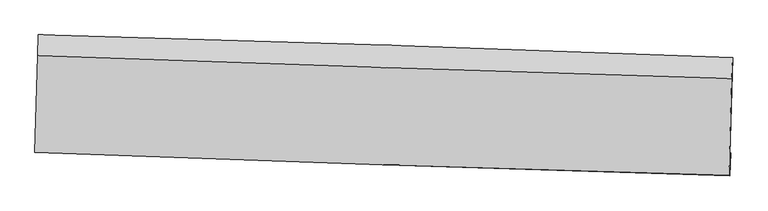
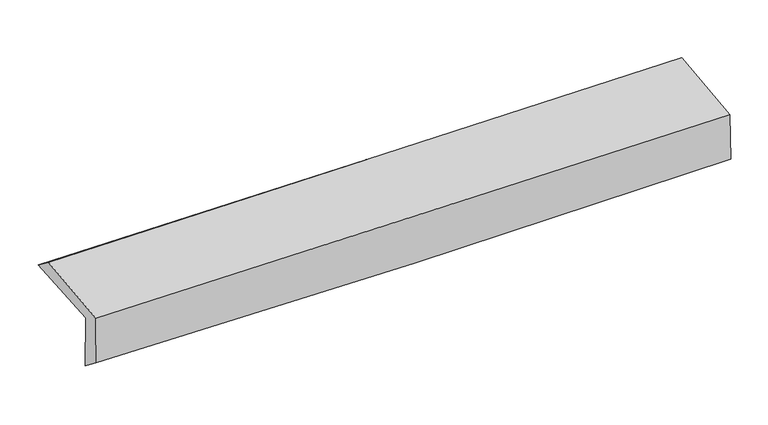
"""IFC4 building model written with IfcOpenShell, lengths in millimetres: proxy geometry."""

from ifc_helpers import new_model, si_unit, frame, origin, place, context, project, spatial, source, transform, mapped, element, save
from ifc_brep_helpers import plane_surface, spline_curve, spline_surface, advanced_brep


def generic_models_376309a4(model_context):
    return source(origin(), model_context, "Body", "AdvancedBrep", [
        advanced_brep(
        [(-2395.254071, -1726.2693567, 2001.5990284), (-2376.2636765, -1060.5587431, 2019.8832735), (2381.6587239, -1216.8040883, 2093.3228885), (2362.6565654, -1883.7896418, 2079.116126), (-2388.5341317, -1708.9656272, 1602.288682), (2369.1734941, -1871.6271679, 1683.3251907), (-2394.4978472, -1853.6377136, 1716.2494255), (2362.7783498, -2027.9686844, 1804.5808911), (-2400.7000122, -1869.3770114, 2085.2225161), (2357.196043, -2025.6650601, 2167.1439276), (-2382.1700132, -1204.9379986, 2130.7041965), (2375.6153373, -1359.5366007, 2217.1764016)],
        [
            (0, 1),
            (1, 2, spline_curve(3, [(-2376.2636765, -1060.5587431, 2019.8832735), (-1579.712406788, -1080.543623079, 2028.614711783), (-783.277990397, -1103.624160688, 2039.133587778), (802.694195944, -1155.757529518, 2063.643245759), (1592.233912888, -1184.758773887, 2077.604241557), (2381.6587239, -1216.8040883, 2093.3228885)], [4, 2, 4], [0.0, 7.843067375006043, 15.620510316079066])),
            (2, 3),
            (3, 0, spline_curve(3, [(2362.6565654, -1883.7896418, 2079.116126), (1573.078158704, -1857.74307172, 2061.179836346), (783.462293152, -1831.64844655, 2045.768419564), (-802.507284044, -1779.142499391, 2019.886598682), (-1598.861630984, -1752.730362769, 2009.458982683), (-2395.254071, -1726.2693567, 2001.5990284)], [4, 2, 4], [0.0, 7.777442941073024, 15.620510316079066])),
            (4, 0),
            (3, 5),
            (5, 4, spline_curve(3, [(2369.1734941, -1871.6271679, 1683.3251907), (1579.754663999, -1842.863670839, 1660.172506146), (790.235697807, -1814.980029606, 1641.851109431), (-795.665146942, -1760.744605105, 1614.757065057), (-1592.048722867, -1734.407733076, 1606.066292129), (-2388.5341317, -1708.9656272, 1602.288682)], [4, 2, 4], [0.0, 7.777593913625439, 15.62081353505866])),
            (6, 4),
            (5, 7),
            (7, 6, spline_curve(3, [(2362.7783498, -2027.9686844, 1804.5808911), (1573.166834999, -2005.770909771, 1781.398238138), (783.586772698, -1980.219622602, 1762.458978309), (-802.172492634, -1922.166130354, 1732.943244447), (-1598.351162628, -1889.607093777, 1722.43868257), (-2394.4978472, -1853.6377136, 1716.2494255)], [4, 2, 4], [0.0, 7.7777643201914985, 15.62115578604568])),
            (8, 6),
            (7, 9),
            (9, 8, spline_curve(3, [(2357.196043, -2025.6650601, 2167.1439276), (1567.375355307, -2003.96030748, 2156.513417557), (777.639045244, -1980.147536839, 2144.406288496), (-808.327736391, -1928.087244776, 2117.124175082), (-1604.556778288, -1899.803999253, 2101.924167102), (-2400.7000122, -1869.3770114, 2085.2225161)], [4, 2, 4], [0.0, 7.777654081254488, 15.620934377998605])),
            (10, 8),
            (9, 11),
            (11, 10, spline_curve(3, [(2375.6153373, -1359.5366007, 2217.1764016), (1585.918005126, -1335.35572049, 2204.173663498), (796.252779958, -1310.439291639, 2190.499384401), (-789.676214154, -1258.918889344, 2161.686696371), (-1585.939439492, -1232.302451049, 2146.536907219), (-2382.1700132, -1204.9379986, 2130.7041965)], [4, 2, 4], [0.0, 7.777450014344171, 15.620524522304141])),
            (1, 10),
            (11, 2),
        ],
        [
            spline_surface(3, 3, [[(-2395.254071, -1726.2693567, 2001.5990284), (-1598.861630869, -1752.73036281, 2009.45898274), (-802.507284111, -1779.142499321, 2019.886598621), (783.462293219, -1831.648446619, 2045.768419625), (1573.078158595, -1857.743071849, 2061.17983626), (2362.6565654, -1883.7896418, 2079.116126)], [(-2388.923939526, -1504.365818811, 2007.693776784), (-1592.47855619, -1528.668116226, 2015.844225736), (-796.097519511, -1553.969719753, 2026.30226163), (789.872927435, -1606.35147426, 2051.726695031), (1579.463410002, -1633.414972495, 2066.654638028), (2368.990618206, -1661.461123974, 2083.851713512)], [(-2382.593807974, -1282.462280989, 2013.788525116), (-1586.095481431, -1304.605869709, 2022.229468679), (-789.687754915, -1328.796940208, 2032.717924661), (796.283561647, -1381.054501924, 2057.68497046), (1585.848661492, -1409.086873119, 2072.129439759), (2375.324671094, -1439.132606126, 2088.587300988)], [(-2376.2636765, -1060.5587431, 2019.8832735), (-1579.712406752, -1080.543623125, 2028.614711674), (-783.277990315, -1103.624160641, 2039.13358767), (802.694195863, -1155.757529565, 2063.643245866), (1592.233912898, -1184.758773765, 2077.604241527), (2381.6587239, -1216.8040883, 2093.3228885)]], [4, 4], [4, 2, 4], [0.0, 2.218607039045465], [0.0, 7.843067375006043, 15.620510316079066]),
            spline_surface(3, 3, [[(-2388.5341317, -1708.9656272, 1602.288682), (-1592.048722809, -1734.407733072, 1606.066292199), (-795.665147039, -1760.744605226, 1614.757065066), (790.235697903, -1814.980029486, 1641.851109422), (1579.754664082, -1842.863670941, 1660.172506064), (2369.1734941, -1871.6271679, 1683.3251907)], [(-2390.77411145, -1714.733537032, 1735.392130809), (-1594.319692146, -1740.515276316, 1740.530522388), (-797.945859407, -1766.877236611, 1749.800242937), (787.97789633, -1820.53616855, 1776.490212842), (1577.529162276, -1847.823471243, 1793.841616118), (2367.001184557, -1875.681325866, 1815.255502456)], [(-2393.01409125, -1720.501446868, 1868.495579591), (-1596.590661532, -1746.622819565, 1874.994752551), (-800.226571743, -1773.009867936, 1884.84342075), (785.720094791, -1826.092307555, 1911.129316205), (1575.303660401, -1852.783271547, 1927.510726206), (2364.828874943, -1879.735483834, 1947.185814244)], [(-2395.254071, -1726.2693567, 2001.5990284), (-1598.861630869, -1752.73036281, 2009.45898274), (-802.507284111, -1779.142499321, 2019.886598621), (783.462293219, -1831.648446619, 2045.768419625), (1573.078158595, -1857.743071849, 2061.17983626), (2362.6565654, -1883.7896418, 2079.116126)]], [4, 4], [4, 2, 4], [0.0, 1.3286276881140433], [0.0, 7.843219621433222, 15.62081353505866]),
            spline_surface(3, 3, [[(-2394.4978472, -1853.6377136, 1716.2494255), (-1598.351162694, -1889.607093869, 1722.438682465), (-802.172492632, -1922.166130298, 1732.943244519), (783.586772696, -1980.219622657, 1762.458978238), (1573.166835014, -2005.770909846, 1781.398238027), (2362.7783498, -2027.9686844, 1804.5808911)], [(-2392.509942052, -1805.413684804, 1678.262510988), (-1596.250349418, -1837.873973607, 1683.647885697), (-800.003377424, -1868.358955266, 1693.547851349), (785.803081109, -1925.139758258, 1722.256355281), (1575.362778033, -1951.46849687, 1740.98966071), (2364.910064563, -1975.854845558, 1764.162324305)], [(-2390.522036848, -1757.189655996, 1640.275596512), (-1594.149536085, -1786.140853334, 1644.857088967), (-797.834262247, -1814.551780259, 1654.152458236), (788.01938949, -1870.059893885, 1682.053732379), (1577.558721063, -1897.166083918, 1700.58108338), (2367.041779337, -1923.741006742, 1723.743757495)], [(-2388.5341317, -1708.9656272, 1602.288682), (-1592.048722809, -1734.407733072, 1606.066292199), (-795.665147039, -1760.744605226, 1614.757065066), (790.235697903, -1814.980029486, 1641.851109422), (1579.754664082, -1842.863670941, 1660.172506064), (2369.1734941, -1871.6271679, 1683.3251907)]], [4, 4], [4, 2, 4], [0.0, 0.6640604304244674], [0.0, 7.8433914658541815, 15.62115578604568]),
            spline_surface(3, 3, [[(-2400.7000122, -1869.3770114, 2085.2225161), (-1604.556778199, -1899.803999201, 2101.924167138), (-808.327736412, -1928.087244748, 2117.124175164), (777.639045265, -1980.147536866, 2144.406288414), (1567.37535519, -2003.960307553, 2156.51341752), (2357.196043, -2025.6650601, 2167.1439276)], [(-2398.632623846, -1864.130578794, 1962.231485906), (-1602.488239676, -1896.405030751, 1975.429005586), (-806.275988485, -1926.113539934, 1989.063864957), (779.621621076, -1980.171565466, 2017.090518364), (1569.305848453, -2004.563841636, 2031.475024356), (2359.056811921, -2026.432934852, 2046.2895821)], [(-2396.565235554, -1858.884146206, 1839.240455694), (-1600.419701217, -1893.006062319, 1848.933844017), (-804.224240559, -1924.139835112, 1861.003554726), (781.604196885, -1980.195594057, 1889.774748289), (1571.236341752, -2005.167375764, 1906.436631191), (2360.917580879, -2027.200809648, 1925.4352366)], [(-2394.4978472, -1853.6377136, 1716.2494255), (-1598.351162694, -1889.607093869, 1722.438682465), (-802.172492632, -1922.166130298, 1732.943244519), (783.586772696, -1980.219622657, 1762.458978238), (1573.166835014, -2005.770909846, 1781.398238027), (2362.7783498, -2027.9686844, 1804.5808911)]], [4, 4], [4, 2, 4], [0.0, 1.2569959421045442], [0.0, 7.843280296744117, 15.620934377998605]),
            spline_surface(3, 3, [[(-2382.1700132, -1204.9379986, 2130.7041965), (-1585.939439377, -1232.302451045, 2146.536907331), (-789.676214235, -1258.918889409, 2161.686696427), (796.252780039, -1310.439291575, 2190.499384346), (1585.918005078, -1335.355720609, 2204.173663593), (2375.6153373, -1359.5366007, 2217.1764016)], [(-2388.346679532, -1426.41766953, 2115.543636373), (-1592.145218983, -1454.802967094, 2131.66599394), (-795.893388299, -1481.97500786, 2146.832522664), (790.048201776, -1533.675373344, 2175.135019027), (1579.7371218, -1558.223916269, 2188.286914914), (2369.475572552, -1581.579420512, 2200.498910279)], [(-2394.523345868, -1647.89734047, 2100.383076227), (-1598.350998593, -1677.303483152, 2116.795080529), (-802.110562348, -1705.031126296, 2131.978348927), (783.843623527, -1756.911455097, 2159.770653733), (1573.556238468, -1781.092111893, 2172.400166199), (2363.335807748, -1803.622240288, 2183.821418921)], [(-2400.7000122, -1869.3770114, 2085.2225161), (-1604.556778199, -1899.803999201, 2101.924167138), (-808.327736412, -1928.087244748, 2117.124175164), (777.639045265, -1980.147536866, 2144.406288414), (1567.37535519, -2003.960307553, 2156.51341752), (2357.196043, -2025.6650601, 2167.1439276)]], [4, 4], [4, 2, 4], [0.0, 2.2021883920624448], [0.0, 7.84307450795997, 15.620524522304141]),
            spline_surface(3, 3, [[(-2376.2636765, -1060.5587431, 2019.8832735), (-1579.712406752, -1080.543623125, 2028.614711674), (-783.277990315, -1103.624160641, 2039.13358767), (802.694195863, -1155.757529565, 2063.643245866), (1592.233912898, -1184.758773765, 2077.604241527), (2381.6587239, -1216.8040883, 2093.3228885)], [(-2378.232455393, -1108.685161629, 2056.823581141), (-1581.788084287, -1131.129899127, 2067.922110201), (-785.410731618, -1155.389070219, 2079.98462393), (800.547057259, -1207.31811689, 2105.928625367), (1590.128610293, -1234.957756051, 2119.794048864), (2379.644261702, -1264.381592438, 2134.607392848)], [(-2380.201234307, -1156.811580071, 2093.763888859), (-1583.863761842, -1181.716175043, 2107.229508805), (-787.543472932, -1207.153979831, 2120.835660167), (798.399918643, -1258.87870425, 2148.214004845), (1588.023307683, -1285.156738323, 2161.983856256), (2377.629799498, -1311.959096562, 2175.891897252)], [(-2382.1700132, -1204.9379986, 2130.7041965), (-1585.939439377, -1232.302451045, 2146.536907331), (-789.676214235, -1258.918889409, 2161.686696427), (796.252780039, -1310.439291575, 2190.499384346), (1585.918005078, -1335.355720609, 2204.173663593), (2375.6153373, -1359.5366007, 2217.1764016)]], [4, 4], [4, 2, 4], [0.0, 0.6529613735441271], [0.0, 7.842966882917033, 15.620310172737437]),
            plane_surface(frame((2368.1797522, -1730.8985405, 2007.4442376), z_axis=(0.9994637265218562, -0.02880600545124079, 0.015571557949911434), x_axis=(0.01539465419965168, -0.006352839481275449, -0.999861313409314))),
            plane_surface(frame((-2389.5699586, -1570.6244085, 1925.991187), z_axis=(-0.9994599860341494, 0.028938621232418523, -0.015565748224376322), x_axis=(-0.02850416055602541, -0.999216856434522, -0.027444246174896433))),
        ],
        [
            (0, [[1, 2, 3, 4]]),
            (1, [[5, -4, 6, 7]]),
            (2, [[8, -7, 9, 10]]),
            (3, [[11, -10, 12, 13]]),
            (4, [[14, -13, 15, 16]]),
            (5, [[17, -16, 18, -2]]),
            (6, [[-12, -9, -6, -3, -18, -15]]),
            (7, [[-1, -5, -8, -11, -14, -17]]),
        ],
    ),
    ])


if __name__ == "__main__":
    model = new_model("IFC4")
    model_context = context("Model", 3, world=origin())
    ifc_project = project(units=[si_unit("LENGTHUNIT", "METRE", prefix="MILLI")], contexts=[model_context])
    site = spatial("IfcSite", under=ifc_project)
    building = spatial("IfcBuilding", under=site)
    placement = place(None, origin())
    generic_models_shape = generic_models_376309a4(model_context)
    element("IfcBuildingElementProxy", 1, Name="Generic Models", at=placement, inside=building, context=model_context, shape_type="MappedRepresentation", body=[
        mapped(generic_models_shape, transform((0.0, 0.0, 0.0), x_axis=(1.0, 0.0, 0.0), y_axis=(0.0, 1.0, 0.0), z_axis=(0.0, 0.0, 1.0))),
    ])
    save(model, "model.ifc")
